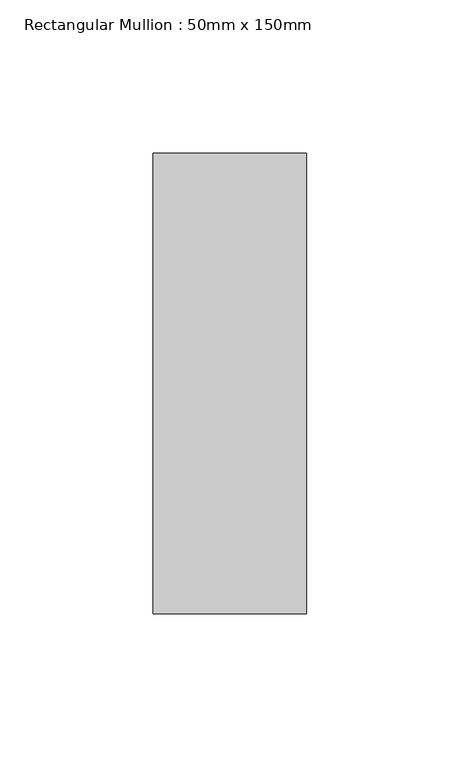
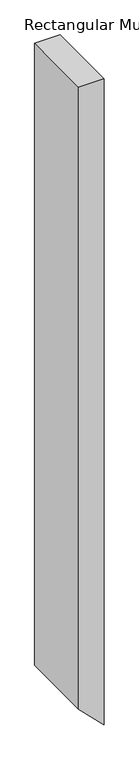
"""IFC4 building model written with IfcOpenShell, lengths in millimetres: member geometry, Rectangular Mullion : 50mm x 150mm."""

from ifc_helpers import new_model, si_unit, frame, origin, place, context, project, spatial, polyline, outline, extrude, source, transform, mapped, element, save


def rectangular_mullion_50mm_x_150mm_fdb6193f(model_context):
    return source(origin(), model_context, "Body", "SweptSolid", [
        extrude(outline(polyline([(0.0, 0.0), (0.0, -50.0), (-1293.5028843, -50.0), (-1343.5028843, 0.0), (0.0, 0.0)])), frame((0.0, -75.0, 0.0), z_axis=(0.0, 1.0, 0.0), x_axis=(0.0, 0.0, 1.0)), (0.0, 0.0, 1.0), 150.0),
    ])


if __name__ == "__main__":
    model = new_model("IFC4")
    model_context = context("Model", 3, world=origin())
    ifc_project = project(units=[si_unit("LENGTHUNIT", "METRE", prefix="MILLI")], contexts=[model_context])
    site = spatial("IfcSite", under=ifc_project)
    building = spatial("IfcBuilding", under=site)
    placement = place(None, origin())
    rectangular_mullion_50mm_x_150mm_shape = rectangular_mullion_50mm_x_150mm_fdb6193f(model_context)
    element("IfcMember", 1, ObjectType="Rectangular Mullion : 50mm x 150mm", at=placement, inside=building, context=model_context, shape_type="MappedRepresentation", body=[
        mapped(rectangular_mullion_50mm_x_150mm_shape, transform((0.0, 0.0, 0.0), x_axis=(1.0, 0.0, 0.0), y_axis=(0.0, 1.0, 0.0), z_axis=(0.0, 0.0, 1.0))),
    ])
    save(model, "model.ifc")
